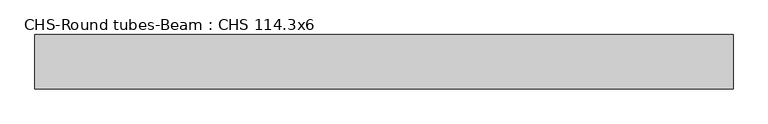
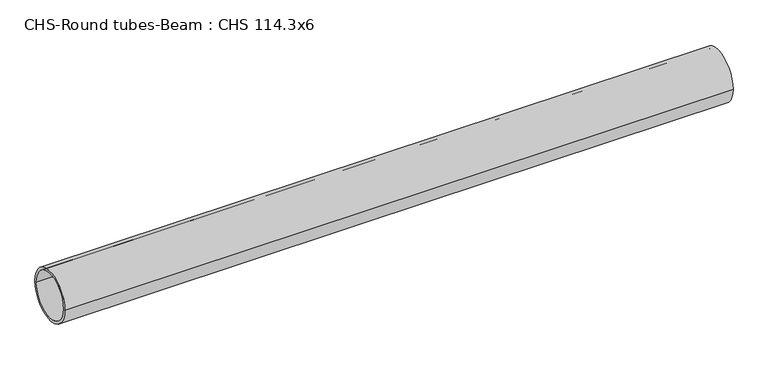
"""IFC4 building model written with IfcOpenShell, lengths in millimetres: beam geometry, CHS-Round tubes-Beam : CHS 114.3x6."""

from ifc_helpers import new_model, si_unit, point, frame, origin, origin_2d, place, context, project, spatial, circle_curve, trimmed, segment, composite_curve, outline, extrude, source, transform, mapped, element, save


def chs_round_tubes_beam_chs_114_3x6_e457684d(model_context):
    return source(origin(), model_context, "Body", "SweptSolid", [
        extrude(outline(composite_curve([segment(trimmed(circle_curve(origin_2d(), 57.15), [point((57.15, 0.0))], [point((-57.15, 0.0))], False, "CARTESIAN"), True, "CONTINUOUS"), segment(trimmed(circle_curve(origin_2d(), 57.15), [point((-57.15, 0.0))], [point((57.15, 0.0))], False, "CARTESIAN"), True, "CONTINUOUS")], self_intersect=False), holes=[composite_curve([segment(trimmed(circle_curve(origin_2d(), 51.15), [point((51.15, 0.0))], [point((-51.15, 0.0))], True, "CARTESIAN"), True, "CONTINUOUS"), segment(trimmed(circle_curve(origin_2d(), 51.15), [point((-51.15, 0.0))], [point((51.15, 0.0))], True, "CARTESIAN"), True, "CONTINUOUS")], self_intersect=False)]), frame((-736.4122035, 0.0, 0.0), z_axis=(1.0, 0.0, 0.0), x_axis=(0.0, 1.0, 0.0)), (0.0, 0.0, 1.0), 1472.4436144),
    ])


if __name__ == "__main__":
    model = new_model("IFC4")
    model_context = context("Model", 3, world=origin())
    ifc_project = project(units=[si_unit("LENGTHUNIT", "METRE", prefix="MILLI")], contexts=[model_context])
    site = spatial("IfcSite", under=ifc_project)
    building = spatial("IfcBuilding", under=site)
    placement = place(None, origin())
    chs_round_tubes_beam_chs_114_3x6_shape = chs_round_tubes_beam_chs_114_3x6_e457684d(model_context)
    element("IfcBeam", 1, ObjectType="CHS-Round tubes-Beam : CHS 114.3x6", at=placement, inside=building, context=model_context, shape_type="MappedRepresentation", body=[
        mapped(chs_round_tubes_beam_chs_114_3x6_shape, transform((0.0, 0.0, 0.0), x_axis=(1.0, 0.0, 0.0), y_axis=(0.0, 1.0, 0.0), z_axis=(0.0, 0.0, 1.0))),
    ])
    save(model, "model.ifc")
